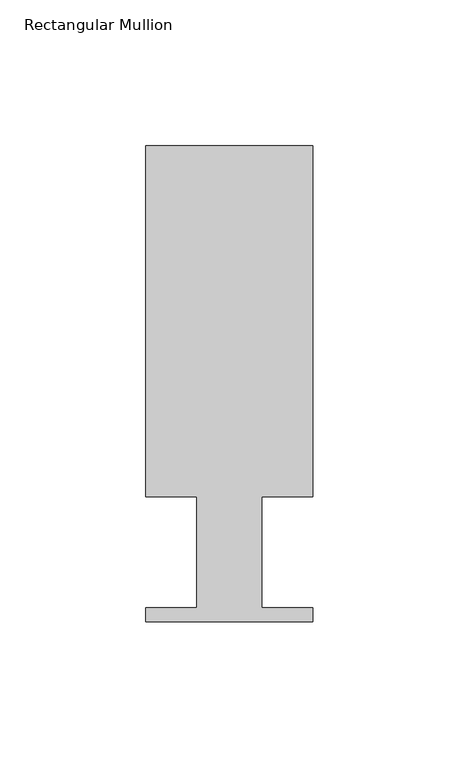
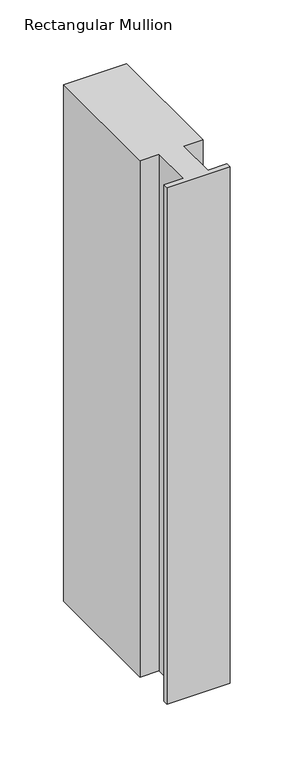
"""IFC4 building model written with IfcOpenShell, lengths in millimetres: member geometry, Rectangular Mullion."""

from ifc_helpers import new_model, si_unit, frame, origin, place, context, project, spatial, polyline, outline, extrude, source, transform, mapped, element, save


def rectangular_mullion_4fd87679(model_context):
    return source(origin(), model_context, "Body", "SweptSolid", [
        extrude(outline(polyline([(0.0, 151.892), (0.0, 31.75), (-17.4752, 31.75), (-17.4752, -6.35), (0.0, -6.35), (0.0, -11.176), (-57.15, -11.176), (-57.15, -6.35), (-39.6875, -6.35), (-39.6875, 31.75), (-57.15, 31.75), (-57.15, 151.892), (0.0, 151.892)])), frame((0.0, 0.0, -495.447016), z_axis=(0.0, 0.0, 1.0), x_axis=(1.0, 0.0, 0.0)), (0.0, 0.0, 1.0), 495.447016),
    ])


if __name__ == "__main__":
    model = new_model("IFC4")
    model_context = context("Model", 3, world=origin())
    ifc_project = project(units=[si_unit("LENGTHUNIT", "METRE", prefix="MILLI")], contexts=[model_context])
    site = spatial("IfcSite", under=ifc_project)
    building = spatial("IfcBuilding", under=site)
    placement = place(None, origin())
    rectangular_mullion_shape = rectangular_mullion_4fd87679(model_context)
    element("IfcMember", 1, ObjectType="Rectangular Mullion", at=placement, inside=building, context=model_context, shape_type="MappedRepresentation", body=[
        mapped(rectangular_mullion_shape, transform((0.0, 0.0, 0.0), x_axis=(1.0, 0.0, 0.0), y_axis=(0.0, 1.0, 0.0), z_axis=(0.0, 0.0, 1.0))),
    ])
    save(model, "model.ifc")
